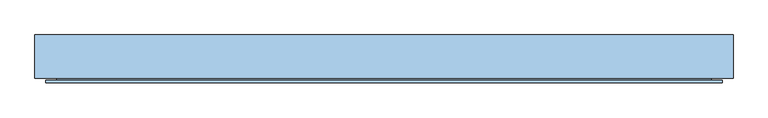
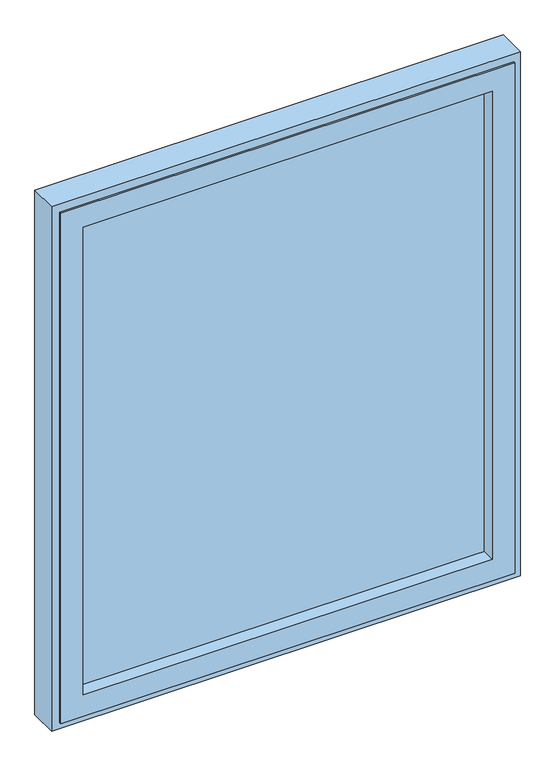
"""IFC4 building model written with IfcOpenShell, lengths in millimetres: window geometry."""

import ifcopenshell
import ifcopenshell.guid

model = None  # the IFC model being written
_history = None  # IfcOwnerHistory: only IFC2X3 demands one
_inside = {}  # id of a spatial element -> (the spatial element, [elements in it])
_under = {}  # id of a project, library or spatial element -> (it, [spatial elements below it])
_declared = {}  # id of a project -> (the project, [libraries it declares])
_typed = {}  # id of a type object -> (the type object, [elements of that type])
_made_of = {}  # id of a material, layer set ... -> (it, [elements and type objects made of it])


def new_model(schema):
    """Start an empty IFC model of exactly this schema.

    Asked for "IFC4X3", IfcOpenShell would pick the latest addendum, in which some entities
    have other attributes; the version numbers below select the first issue.
    IFC2X3 requires an IfcOwnerHistory on every rooted entity: one is made here for all.
    """
    global model, _history
    if schema == "IFC4X3":
        model = ifcopenshell.file(schema_version=(4, 3, 0, 0))
    else:
        model = ifcopenshell.file(schema=schema)
    _inside.clear()
    _under.clear()
    _declared.clear()
    _typed.clear()
    _made_of.clear()
    _history = None
    if model.schema == "IFC2X3":
        org = make("IfcOrganization", Name="unknown")
        user = make(
            "IfcPersonAndOrganization",
            ThePerson=make("IfcPerson", FamilyName="unknown"),
            TheOrganization=org,
        )
        app = make(
            "IfcApplication",
            ApplicationDeveloper=org,
            Version="unknown",
            ApplicationFullName="unknown",
            ApplicationIdentifier="unknown",
        )
        _history = make(
            "IfcOwnerHistory",
            OwningUser=user,
            OwningApplication=app,
            ChangeAction="ADDED",
            CreationDate=0,
        )
    return model


def make(cls, **values):
    """One entity of the class cls with the attributes given. An attribute that is None is left unset."""
    return model.create_entity(
        cls, **{name: value for name, value in values.items() if value is not None}
    )


def rooted(cls, **values):
    """An entity with a GlobalId (a new one), such as an element, a storey or a relation."""
    return make(cls, GlobalId=ifcopenshell.guid.new(), OwnerHistory=_history, **values)


def si_unit(unit_type, name, prefix=None):
    """IfcSIUnit, for example si_unit("LENGTHUNIT", "METRE", prefix="MILLI")."""
    return make("IfcSIUnit", UnitType=unit_type, Prefix=prefix, Name=name)


def assignment(units):
    """IfcUnitAssignment: the units of a project."""
    return None if units is None else make("IfcUnitAssignment", Units=units)


def point(xyz):
    """IfcCartesianPoint."""
    return None if xyz is None else make("IfcCartesianPoint", Coordinates=xyz)


def direction(xyz):
    """IfcDirection."""
    return None if xyz is None else make("IfcDirection", DirectionRatios=xyz)


def frame(location, z_axis=None, x_axis=None):
    """IfcAxis2Placement3D, a coordinate frame: its origin and axes. An axis left out is left unset."""
    return make(
        "IfcAxis2Placement3D",
        Location=point(location),
        Axis=direction(z_axis),
        RefDirection=direction(x_axis),
    )


def origin():
    """The frame at (0, 0, 0) with its axes left unset."""
    return frame((0.0, 0.0, 0.0))


def place(relative_to, where):
    """IfcLocalPlacement: puts the frame where relative to a parent placement (None: the world)."""
    return make(
        "IfcLocalPlacement", PlacementRelTo=relative_to, RelativePlacement=where
    )


def context(
    kind, dimensions, precision=None, world=None, true_north=None, identifier=None
):
    """IfcGeometricRepresentationContext, for example the 3D "Model" context."""
    return make(
        "IfcGeometricRepresentationContext",
        ContextIdentifier=identifier,
        ContextType=kind,
        CoordinateSpaceDimension=dimensions,
        Precision=precision,
        WorldCoordinateSystem=world,
        TrueNorth=true_north,
    )


def project(units=None, contexts=None):
    """IfcProject with its units and contexts."""
    return rooted(
        "IfcProject",
        Name="project",
        RepresentationContexts=contexts,
        UnitsInContext=assignment(units),
    )


def spatial(cls, under=None, at=None, **own):
    """A site, building, storey or space (cls), placed at a placement, below another one or the project."""
    s = rooted(cls, ObjectPlacement=at, **own)
    if under is not None:
        _under.setdefault(under.id(), (under, []))[1].append(s)
    return s


def polyline(points):
    """IfcPolyline through the points."""
    return make("IfcPolyline", Points=[point(p) for p in points])


def outline(outer, holes=None, kind="AREA"):
    """IfcArbitraryClosedProfileDef: a profile drawn as a closed curve; with holes, ...WithVoids."""
    if holes is None:
        return make("IfcArbitraryClosedProfileDef", ProfileType=kind, OuterCurve=outer)
    return make(
        "IfcArbitraryProfileDefWithVoids",
        ProfileType=kind,
        OuterCurve=outer,
        InnerCurves=holes,
    )


def extrude(swept, where, along, depth):
    """IfcExtrudedAreaSolid: the profile swept, set in the frame where, extruded along a direction by depth."""
    return make(
        "IfcExtrudedAreaSolid",
        SweptArea=swept,
        Position=where,
        ExtrudedDirection=direction(along),
        Depth=depth,
    )


def faces_of(points, faces, orient=None, outer=None):
    """IfcFace entities. A face is a list of loops; a loop is a list of indices into points, from 0.

    orient and outer hold one flag for each loop. By default every Orientation is true, the
    first loop of a face is its IfcFaceOuterBound and the others are IfcFaceBound.
    """
    made = []
    for i, loops in enumerate(faces):
        bounds = []
        for j, loop in enumerate(loops):
            is_outer = j == 0 if outer is None else outer[i][j]
            bounds.append(
                make(
                    "IfcFaceOuterBound" if is_outer else "IfcFaceBound",
                    Bound=make("IfcPolyLoop", Polygon=[points[k] for k in loop]),
                    Orientation=True if orient is None else orient[i][j],
                )
            )
        made.append(make("IfcFace", Bounds=bounds))
    return made


def faceted_brep(points, faces, orient=None, outer=None, voids=None):
    """IfcFacetedBrep: a solid bounded by flat faces; with voids (closed shells), ...WithVoids."""
    shared = [point(p) for p in points]
    hull = make("IfcClosedShell", CfsFaces=faces_of(shared, faces, orient, outer))
    if voids is None:
        return make("IfcFacetedBrep", Outer=hull)
    return make(
        "IfcFacetedBrepWithVoids",
        Outer=hull,
        Voids=[
            make(cls, CfsFaces=faces_of(shared, fs, o, b)) for cls, fs, o, b in voids
        ],
    )


def shape(context_of_items, identifier, shape_type, items):
    """IfcShapeRepresentation: the items that make up one representation, for example the "Body"."""
    return make(
        "IfcShapeRepresentation",
        ContextOfItems=context_of_items,
        RepresentationIdentifier=identifier,
        RepresentationType=shape_type,
        Items=items,
    )


def source(mapping_origin, context_of_items, identifier, shape_type, items):
    """IfcRepresentationMap: a shape defined once, which mapped items show again and again."""
    return make(
        "IfcRepresentationMap",
        MappingOrigin=mapping_origin,
        MappedRepresentation=shape(context_of_items, identifier, shape_type, items),
    )


def transform(
    local_origin,
    x_axis=None,
    y_axis=None,
    z_axis=None,
    scale=None,
    scale2=None,
    scale3=None,
    uniform=True,
):
    """IfcCartesianTransformationOperator3D, or its non-uniform kind. x_axis, y_axis, z_axis: its Axis1, 2, 3."""
    if uniform:
        return make(
            "IfcCartesianTransformationOperator3D",
            Axis1=direction(x_axis),
            Axis2=direction(y_axis),
            LocalOrigin=point(local_origin),
            Scale=scale,
            Axis3=direction(z_axis),
        )
    return make(
        "IfcCartesianTransformationOperator3DnonUniform",
        Axis1=direction(x_axis),
        Axis2=direction(y_axis),
        LocalOrigin=point(local_origin),
        Scale=scale,
        Axis3=direction(z_axis),
        Scale2=scale2,
        Scale3=scale3,
    )


def mapped(mapping_source, mapping_target):
    """IfcMappedItem: shows the shape of a source again, moved by a transform."""
    return make(
        "IfcMappedItem", MappingSource=mapping_source, MappingTarget=mapping_target
    )


def made_of(thing, what):
    """Note that an element or type object is made of a material, layer set ...; save() writes the relation."""
    if what is not None:
        _made_of.setdefault(what.id(), (what, []))[1].append(thing)
    return thing


def element(
    cls,
    number,
    at=None,
    inside=None,
    cuts=None,
    type_object=None,
    material=None,
    context=None,
    identifier="Body",
    shape_type=None,
    held_by="IfcProductDefinitionShape",
    body=None,
    shapes=None,
    **own,
):
    """One element of the class cls, such as IfcWall. Its Tag is "e" and its number.

    at: its placement. inside: the storey or other place that contains it. cuts: it is an
    opening in that element (IfcRelVoidsElement). A single representation is given by context,
    identifier, shape_type and body (its items); several are given by shapes. held_by: the class
    of the entity that holds the representations. save() writes the other relations.
    """
    e = rooted(cls, Tag="e%d" % number, ObjectPlacement=at, **own)
    if body is not None:
        shapes = [shape(context, identifier, shape_type, body)]
    if shapes is not None:
        e.Representation = make(held_by, Representations=shapes)
    if inside is not None:
        _inside.setdefault(inside.id(), (inside, []))[1].append(e)
    if cuts is not None:
        rooted(
            "IfcRelVoidsElement", RelatingBuildingElement=cuts, RelatedOpeningElement=e
        )
    if type_object is not None:
        _typed.setdefault(type_object.id(), (type_object, []))[1].append(e)
    return made_of(e, material)


def aggregate(whole, parts):
    """IfcRelAggregates: a whole, such as a stair, and the parts it consists of."""
    return rooted("IfcRelAggregates", RelatingObject=whole, RelatedObjects=parts)


def save(model, path):
    """Write the relations noted so far, then the file.

    IfcRelAggregates (storeys below a building ...), IfcRelContainedInSpatialStructure (elements
    in a storey), IfcRelDefinesByType, IfcRelAssociatesMaterial and IfcRelDeclares: one each for
    every whole, place, type object, material and project.
    """
    for whole, parts in _under.values():
        aggregate(whole, parts)
    for where, things in _inside.values():
        rooted(
            "IfcRelContainedInSpatialStructure",
            RelatedElements=things,
            RelatingStructure=where,
        )
    for kind, things in _typed.values():
        rooted("IfcRelDefinesByType", RelatedObjects=things, RelatingType=kind)
    for what, things in _made_of.values():
        rooted("IfcRelAssociatesMaterial", RelatedObjects=things, RelatingMaterial=what)
    for by, libraries in _declared.values():
        rooted("IfcRelDeclares", RelatingContext=by, RelatedDefinitions=libraries)
    model.write(path)


def window_eb53c627(model_context):
    return source(origin(), model_context, "Body", "SolidModel", [
        faceted_brep([(480.0, -41.5, 2130.0), (480.0, 26.0, 2130.0), (480.0, 26.0, 970.0), (480.0, -41.5, 970.0), (509.5, 26.0, 940.5), (-509.5, 26.0, 940.5), (-509.5, 26.0, 2159.5), (509.5, 26.0, 2159.5), (-480.0, 26.0, 2130.0), (-480.0, 26.0, 970.0), (-480.0, -41.5, 970.0), (533.0, -41.5, 2183.0), (-533.0, -41.5, 2183.0), (-533.0, -41.5, 917.0), (533.0, -41.5, 917.0), (-480.0, -41.5, 2130.0), (533.0, -37.5, 2183.0), (533.0, -37.5, 917.0), (-533.0, -37.5, 917.0), (-533.0, -37.5, 2183.0), (515.5, -37.5, 2165.5), (-515.5, -37.5, 2165.5), (-515.5, -37.5, 934.5), (515.5, -37.5, 934.5), (515.5, 18.0, 2165.5), (515.5, 18.0, 934.5), (-515.5, 18.0, 934.5), (-515.5, 18.0, 2165.5), (509.5, 18.0, 2159.5), (-509.5, 18.0, 2159.5), (-509.5, 18.0, 940.5), (509.5, 18.0, 940.5)], [[[0, 1, 2, 3]], [[4, 5, 6, 7], [1, 8, 9, 2]], [[3, 2, 9, 10]], [[11, 12, 13, 14], [3, 10, 15, 0]], [[16, 11, 14, 17]], [[17, 14, 13, 18]], [[17, 18, 19, 16], [20, 21, 22, 23]], [[24, 20, 23, 25]], [[25, 23, 22, 26]], [[25, 26, 27, 24], [28, 29, 30, 31]], [[7, 28, 31, 4]], [[4, 31, 30, 5]], [[10, 9, 8, 15]], [[18, 13, 12, 19]], [[26, 22, 21, 27]], [[5, 30, 29, 6]], [[15, 8, 1, 0]], [[19, 12, 11, 16]], [[27, 21, 20, 24]], [[6, 29, 28, 7]]]),
        extrude(outline(polyline([(480.0, -9.3), (-480.0, -9.3), (-480.0, 14.7), (480.0, 14.7), (480.0, -9.3)])), frame((0.0, 0.0, 970.0), z_axis=(0.0, 0.0, 1.0), x_axis=(1.0, 0.0, 0.0)), (0.0, 0.0, 1.0), 1160.0),
        faceted_brep([(-550.0, 34.0, 2200.0), (-550.0, 34.0, 900.0), (-550.0, -34.0, 900.0), (-550.0, -34.0, 2200.0), (550.0, 34.0, 2200.0), (550.0, 34.0, 900.0), (-484.0, 34.0, 966.0), (484.0, 34.0, 966.0), (484.0, 34.0, 2134.0), (-484.0, 34.0, 2134.0), (550.0, -34.0, 900.0), (550.0, -34.0, 2200.0), (-527.0, -34.0, 2177.0), (527.0, -34.0, 2177.0), (527.0, -34.0, 923.0), (-527.0, -34.0, 923.0), (-527.0, 29.0, 2177.0), (-527.0, 29.0, 923.0), (527.0, 29.0, 923.0), (527.0, 29.0, 2177.0), (-484.0, 29.0, 2134.0), (484.0, 29.0, 2134.0), (484.0, 29.0, 966.0), (-484.0, 29.0, 966.0)], [[[0, 1, 2, 3]], [[0, 4, 5, 1], [6, 7, 8, 9]], [[2, 1, 5, 10]], [[2, 10, 11, 3], [12, 13, 14, 15]], [[16, 12, 15, 17]], [[17, 15, 14, 18]], [[17, 18, 19, 16], [20, 21, 22, 23]], [[9, 20, 23, 6]], [[6, 23, 22, 7]], [[10, 5, 4, 11]], [[18, 14, 13, 19]], [[7, 22, 21, 8]], [[11, 4, 0, 3]], [[19, 13, 12, 16]], [[8, 21, 20, 9]]]),
    ])


if __name__ == "__main__":
    model = new_model("IFC4")
    model_context = context("Model", 3, world=origin())
    ifc_project = project(units=[si_unit("LENGTHUNIT", "METRE", prefix="MILLI")], contexts=[model_context])
    site = spatial("IfcSite", under=ifc_project)
    building = spatial("IfcBuilding", under=site)
    placement = place(None, origin())
    window_shape = window_eb53c627(model_context)
    element("IfcWindow", 1, at=placement, inside=building, context=model_context, shape_type="MappedRepresentation", body=[
        mapped(window_shape, transform((0.0, 0.0, 0.0), x_axis=(1.0, 0.0, 0.0), y_axis=(0.0, 1.0, 0.0), z_axis=(0.0, 0.0, 1.0))),
    ])
    save(model, "model.ifc")
